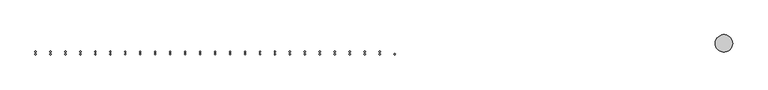
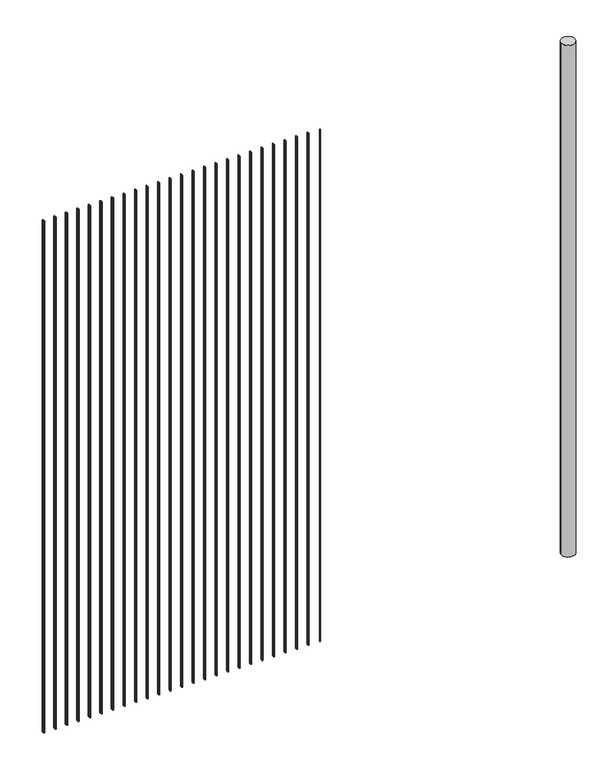
"""IFC4 building model written with IfcOpenShell, lengths in millimetres: railing geometry."""

from ifc_helpers import new_model, si_unit, point, frame, frame_2d, origin, place, context, project, spatial, circle_curve, trimmed, segment, composite_curve, outline, extrude, source, transform, mapped, element, save


def railing_c8de7a50(model_context):
    return source(origin(), model_context, "Body", "SweptSolid", [
        extrude(outline(composite_curve([segment(trimmed(circle_curve(frame_2d((2203.563139, 635.5491637)), 2.0574), [point((2203.563139, 637.6065637))], [point((2203.563139, 633.4917637))], False, "CARTESIAN"), True, "CONTINUOUS"), segment(trimmed(circle_curve(frame_2d((2203.563139, 635.5491637)), 2.0574), [point((2203.563139, 633.4917637))], [point((2203.563139, 637.6065637))], False, "CARTESIAN"), True, "CONTINUOUS")], self_intersect=False)), frame((0.0, 0.0, 7620.0), z_axis=(0.0, 0.0, 1.0), x_axis=(1.0, 0.0, 0.0)), (0.0, 0.0, 1.0), 2438.4),
        extrude(outline(composite_curve([segment(trimmed(circle_curve(frame_2d((2151.6822879, 643.7787637)), 2.0574), [point((2151.6822879, 641.7213637))], [point((2151.6822879, 645.8361637))], False, "CARTESIAN"), True, "CONTINUOUS"), segment(trimmed(circle_curve(frame_2d((2151.6822879, 643.7787637)), 2.0574), [point((2151.6822879, 645.8361637))], [point((2151.6822879, 641.7213637))], False, "CARTESIAN"), True, "CONTINUOUS")], self_intersect=False)), frame((0.0, 0.0, 7620.0), z_axis=(0.0, 0.0, 1.0), x_axis=(1.0, 0.0, 0.0)), (0.0, 0.0, 1.0), 2438.4),
        extrude(outline(composite_curve([segment(trimmed(circle_curve(frame_2d((2151.6822879, 635.5491637)), 2.0574), [point((2151.6822879, 637.6065637))], [point((2151.6822879, 633.4917637))], False, "CARTESIAN"), True, "CONTINUOUS"), segment(trimmed(circle_curve(frame_2d((2151.6822879, 635.5491637)), 2.0574), [point((2151.6822879, 633.4917637))], [point((2151.6822879, 637.6065637))], False, "CARTESIAN"), True, "CONTINUOUS")], self_intersect=False)), frame((0.0, 0.0, 7620.0), z_axis=(0.0, 0.0, 1.0), x_axis=(1.0, 0.0, 0.0)), (0.0, 0.0, 1.0), 2438.4),
        extrude(outline(composite_curve([segment(trimmed(circle_curve(frame_2d((2099.8014369, 643.7787637)), 2.0574), [point((2099.8014369, 641.7213637))], [point((2099.8014369, 645.8361637))], False, "CARTESIAN"), True, "CONTINUOUS"), segment(trimmed(circle_curve(frame_2d((2099.8014369, 643.7787637)), 2.0574), [point((2099.8014369, 645.8361637))], [point((2099.8014369, 641.7213637))], False, "CARTESIAN"), True, "CONTINUOUS")], self_intersect=False)), frame((0.0, 0.0, 7620.0), z_axis=(0.0, 0.0, 1.0), x_axis=(1.0, 0.0, 0.0)), (0.0, 0.0, 1.0), 2438.4),
        extrude(outline(composite_curve([segment(trimmed(circle_curve(frame_2d((2099.8014369, 635.5491637)), 2.0574), [point((2099.8014369, 637.6065637))], [point((2099.8014369, 633.4917637))], False, "CARTESIAN"), True, "CONTINUOUS"), segment(trimmed(circle_curve(frame_2d((2099.8014369, 635.5491637)), 2.0574), [point((2099.8014369, 633.4917637))], [point((2099.8014369, 637.6065637))], False, "CARTESIAN"), True, "CONTINUOUS")], self_intersect=False)), frame((0.0, 0.0, 7620.0), z_axis=(0.0, 0.0, 1.0), x_axis=(1.0, 0.0, 0.0)), (0.0, 0.0, 1.0), 2438.4),
        extrude(outline(composite_curve([segment(trimmed(circle_curve(frame_2d((2047.9205858, 643.7787637)), 2.0574), [point((2047.9205858, 641.7213637))], [point((2047.9205858, 645.8361637))], False, "CARTESIAN"), True, "CONTINUOUS"), segment(trimmed(circle_curve(frame_2d((2047.9205858, 643.7787637)), 2.0574), [point((2047.9205858, 645.8361637))], [point((2047.9205858, 641.7213637))], False, "CARTESIAN"), True, "CONTINUOUS")], self_intersect=False)), frame((0.0, 0.0, 7620.0), z_axis=(0.0, 0.0, 1.0), x_axis=(1.0, 0.0, 0.0)), (0.0, 0.0, 1.0), 2438.4),
        extrude(outline(composite_curve([segment(trimmed(circle_curve(frame_2d((2047.9205858, 635.5491637)), 2.0574), [point((2047.9205858, 637.6065637))], [point((2047.9205858, 633.4917637))], False, "CARTESIAN"), True, "CONTINUOUS"), segment(trimmed(circle_curve(frame_2d((2047.9205858, 635.5491637)), 2.0574), [point((2047.9205858, 633.4917637))], [point((2047.9205858, 637.6065637))], False, "CARTESIAN"), True, "CONTINUOUS")], self_intersect=False)), frame((0.0, 0.0, 7620.0), z_axis=(0.0, 0.0, 1.0), x_axis=(1.0, 0.0, 0.0)), (0.0, 0.0, 1.0), 2438.4),
        extrude(outline(composite_curve([segment(trimmed(circle_curve(frame_2d((1996.0397347, 643.7787637)), 2.0574), [point((1996.0397347, 641.7213637))], [point((1996.0397347, 645.8361637))], False, "CARTESIAN"), True, "CONTINUOUS"), segment(trimmed(circle_curve(frame_2d((1996.0397347, 643.7787637)), 2.0574), [point((1996.0397347, 645.8361637))], [point((1996.0397347, 641.7213637))], False, "CARTESIAN"), True, "CONTINUOUS")], self_intersect=False)), frame((0.0, 0.0, 7620.0), z_axis=(0.0, 0.0, 1.0), x_axis=(1.0, 0.0, 0.0)), (0.0, 0.0, 1.0), 2438.4),
        extrude(outline(composite_curve([segment(trimmed(circle_curve(frame_2d((1996.0397347, 635.5491637)), 2.0574), [point((1996.0397347, 637.6065637))], [point((1996.0397347, 633.4917637))], False, "CARTESIAN"), True, "CONTINUOUS"), segment(trimmed(circle_curve(frame_2d((1996.0397347, 635.5491637)), 2.0574), [point((1996.0397347, 633.4917637))], [point((1996.0397347, 637.6065637))], False, "CARTESIAN"), True, "CONTINUOUS")], self_intersect=False)), frame((0.0, 0.0, 7620.0), z_axis=(0.0, 0.0, 1.0), x_axis=(1.0, 0.0, 0.0)), (0.0, 0.0, 1.0), 2438.4),
        extrude(outline(composite_curve([segment(trimmed(circle_curve(frame_2d((1944.1588837, 643.7787637)), 2.0574), [point((1944.1588837, 641.7213637))], [point((1944.1588837, 645.8361637))], False, "CARTESIAN"), True, "CONTINUOUS"), segment(trimmed(circle_curve(frame_2d((1944.1588837, 643.7787637)), 2.0574), [point((1944.1588837, 645.8361637))], [point((1944.1588837, 641.7213637))], False, "CARTESIAN"), True, "CONTINUOUS")], self_intersect=False)), frame((0.0, 0.0, 7620.0), z_axis=(0.0, 0.0, 1.0), x_axis=(1.0, 0.0, 0.0)), (0.0, 0.0, 1.0), 2438.4),
        extrude(outline(composite_curve([segment(trimmed(circle_curve(frame_2d((1944.1588837, 635.5491637)), 2.0574), [point((1944.1588837, 637.6065637))], [point((1944.1588837, 633.4917637))], False, "CARTESIAN"), True, "CONTINUOUS"), segment(trimmed(circle_curve(frame_2d((1944.1588837, 635.5491637)), 2.0574), [point((1944.1588837, 633.4917637))], [point((1944.1588837, 637.6065637))], False, "CARTESIAN"), True, "CONTINUOUS")], self_intersect=False)), frame((0.0, 0.0, 7620.0), z_axis=(0.0, 0.0, 1.0), x_axis=(1.0, 0.0, 0.0)), (0.0, 0.0, 1.0), 2438.4),
        extrude(outline(composite_curve([segment(trimmed(circle_curve(frame_2d((1892.2780326, 643.7787637)), 2.0574), [point((1892.2780326, 641.7213637))], [point((1892.2780326, 645.8361637))], False, "CARTESIAN"), True, "CONTINUOUS"), segment(trimmed(circle_curve(frame_2d((1892.2780326, 643.7787637)), 2.0574), [point((1892.2780326, 645.8361637))], [point((1892.2780326, 641.7213637))], False, "CARTESIAN"), True, "CONTINUOUS")], self_intersect=False)), frame((0.0, 0.0, 7620.0), z_axis=(0.0, 0.0, 1.0), x_axis=(1.0, 0.0, 0.0)), (0.0, 0.0, 1.0), 2438.4),
        extrude(outline(composite_curve([segment(trimmed(circle_curve(frame_2d((1892.2780326, 635.5491637)), 2.0574), [point((1892.2780326, 637.6065637))], [point((1892.2780326, 633.4917637))], False, "CARTESIAN"), True, "CONTINUOUS"), segment(trimmed(circle_curve(frame_2d((1892.2780326, 635.5491637)), 2.0574), [point((1892.2780326, 633.4917637))], [point((1892.2780326, 637.6065637))], False, "CARTESIAN"), True, "CONTINUOUS")], self_intersect=False)), frame((0.0, 0.0, 7620.0), z_axis=(0.0, 0.0, 1.0), x_axis=(1.0, 0.0, 0.0)), (0.0, 0.0, 1.0), 2438.4),
        extrude(outline(composite_curve([segment(trimmed(circle_curve(frame_2d((1840.3971815, 643.7787637)), 2.0574), [point((1840.3971815, 641.7213637))], [point((1840.3971815, 645.8361637))], False, "CARTESIAN"), True, "CONTINUOUS"), segment(trimmed(circle_curve(frame_2d((1840.3971815, 643.7787637)), 2.0574), [point((1840.3971815, 645.8361637))], [point((1840.3971815, 641.7213637))], False, "CARTESIAN"), True, "CONTINUOUS")], self_intersect=False)), frame((0.0, 0.0, 7620.0), z_axis=(0.0, 0.0, 1.0), x_axis=(1.0, 0.0, 0.0)), (0.0, 0.0, 1.0), 2438.4),
        extrude(outline(composite_curve([segment(trimmed(circle_curve(frame_2d((1840.3971815, 635.5491637)), 2.0574), [point((1840.3971815, 637.6065637))], [point((1840.3971815, 633.4917637))], False, "CARTESIAN"), True, "CONTINUOUS"), segment(trimmed(circle_curve(frame_2d((1840.3971815, 635.5491637)), 2.0574), [point((1840.3971815, 633.4917637))], [point((1840.3971815, 637.6065637))], False, "CARTESIAN"), True, "CONTINUOUS")], self_intersect=False)), frame((0.0, 0.0, 7620.0), z_axis=(0.0, 0.0, 1.0), x_axis=(1.0, 0.0, 0.0)), (0.0, 0.0, 1.0), 2438.4),
        extrude(outline(composite_curve([segment(trimmed(circle_curve(frame_2d((1788.5163305, 643.7787637)), 2.0574), [point((1788.5163305, 641.7213637))], [point((1788.5163305, 645.8361637))], False, "CARTESIAN"), True, "CONTINUOUS"), segment(trimmed(circle_curve(frame_2d((1788.5163305, 643.7787637)), 2.0574), [point((1788.5163305, 645.8361637))], [point((1788.5163305, 641.7213637))], False, "CARTESIAN"), True, "CONTINUOUS")], self_intersect=False)), frame((0.0, 0.0, 7620.0), z_axis=(0.0, 0.0, 1.0), x_axis=(1.0, 0.0, 0.0)), (0.0, 0.0, 1.0), 2438.4),
        extrude(outline(composite_curve([segment(trimmed(circle_curve(frame_2d((1788.5163305, 635.5491637)), 2.0574), [point((1788.5163305, 637.6065637))], [point((1788.5163305, 633.4917637))], False, "CARTESIAN"), True, "CONTINUOUS"), segment(trimmed(circle_curve(frame_2d((1788.5163305, 635.5491637)), 2.0574), [point((1788.5163305, 633.4917637))], [point((1788.5163305, 637.6065637))], False, "CARTESIAN"), True, "CONTINUOUS")], self_intersect=False)), frame((0.0, 0.0, 7620.0), z_axis=(0.0, 0.0, 1.0), x_axis=(1.0, 0.0, 0.0)), (0.0, 0.0, 1.0), 2438.4),
        extrude(outline(composite_curve([segment(trimmed(circle_curve(frame_2d((1736.6354794, 643.7787637)), 2.0574), [point((1736.6354794, 641.7213637))], [point((1736.6354794, 645.8361637))], False, "CARTESIAN"), True, "CONTINUOUS"), segment(trimmed(circle_curve(frame_2d((1736.6354794, 643.7787637)), 2.0574), [point((1736.6354794, 645.8361637))], [point((1736.6354794, 641.7213637))], False, "CARTESIAN"), True, "CONTINUOUS")], self_intersect=False)), frame((0.0, 0.0, 7620.0), z_axis=(0.0, 0.0, 1.0), x_axis=(1.0, 0.0, 0.0)), (0.0, 0.0, 1.0), 2438.4),
        extrude(outline(composite_curve([segment(trimmed(circle_curve(frame_2d((1736.6354794, 635.5491637)), 2.0574), [point((1736.6354794, 637.6065637))], [point((1736.6354794, 633.4917637))], False, "CARTESIAN"), True, "CONTINUOUS"), segment(trimmed(circle_curve(frame_2d((1736.6354794, 635.5491637)), 2.0574), [point((1736.6354794, 633.4917637))], [point((1736.6354794, 637.6065637))], False, "CARTESIAN"), True, "CONTINUOUS")], self_intersect=False)), frame((0.0, 0.0, 7620.0), z_axis=(0.0, 0.0, 1.0), x_axis=(1.0, 0.0, 0.0)), (0.0, 0.0, 1.0), 2438.4),
        extrude(outline(composite_curve([segment(trimmed(circle_curve(frame_2d((1684.7546283, 643.7787637)), 2.0574), [point((1684.7546283, 641.7213637))], [point((1684.7546283, 645.8361637))], False, "CARTESIAN"), True, "CONTINUOUS"), segment(trimmed(circle_curve(frame_2d((1684.7546283, 643.7787637)), 2.0574), [point((1684.7546283, 645.8361637))], [point((1684.7546283, 641.7213637))], False, "CARTESIAN"), True, "CONTINUOUS")], self_intersect=False)), frame((0.0, 0.0, 7620.0), z_axis=(0.0, 0.0, 1.0), x_axis=(1.0, 0.0, 0.0)), (0.0, 0.0, 1.0), 2438.4),
        extrude(outline(composite_curve([segment(trimmed(circle_curve(frame_2d((1684.7546283, 635.5491637)), 2.0574), [point((1684.7546283, 637.6065637))], [point((1684.7546283, 633.4917637))], False, "CARTESIAN"), True, "CONTINUOUS"), segment(trimmed(circle_curve(frame_2d((1684.7546283, 635.5491637)), 2.0574), [point((1684.7546283, 633.4917637))], [point((1684.7546283, 637.6065637))], False, "CARTESIAN"), True, "CONTINUOUS")], self_intersect=False)), frame((0.0, 0.0, 7620.0), z_axis=(0.0, 0.0, 1.0), x_axis=(1.0, 0.0, 0.0)), (0.0, 0.0, 1.0), 2438.4),
        extrude(outline(composite_curve([segment(trimmed(circle_curve(frame_2d((1632.8737773, 643.7787637)), 2.0574), [point((1632.8737773, 641.7213637))], [point((1632.8737773, 645.8361637))], False, "CARTESIAN"), True, "CONTINUOUS"), segment(trimmed(circle_curve(frame_2d((1632.8737773, 643.7787637)), 2.0574), [point((1632.8737773, 645.8361637))], [point((1632.8737773, 641.7213637))], False, "CARTESIAN"), True, "CONTINUOUS")], self_intersect=False)), frame((0.0, 0.0, 7620.0), z_axis=(0.0, 0.0, 1.0), x_axis=(1.0, 0.0, 0.0)), (0.0, 0.0, 1.0), 2438.4),
        extrude(outline(composite_curve([segment(trimmed(circle_curve(frame_2d((1632.8737773, 635.5491637)), 2.0574), [point((1632.8737773, 637.6065637))], [point((1632.8737773, 633.4917637))], False, "CARTESIAN"), True, "CONTINUOUS"), segment(trimmed(circle_curve(frame_2d((1632.8737773, 635.5491637)), 2.0574), [point((1632.8737773, 633.4917637))], [point((1632.8737773, 637.6065637))], False, "CARTESIAN"), True, "CONTINUOUS")], self_intersect=False)), frame((0.0, 0.0, 7620.0), z_axis=(0.0, 0.0, 1.0), x_axis=(1.0, 0.0, 0.0)), (0.0, 0.0, 1.0), 2438.4),
        extrude(outline(composite_curve([segment(trimmed(circle_curve(frame_2d((1580.9929262, 643.7787637)), 2.0574), [point((1580.9929262, 641.7213637))], [point((1580.9929262, 645.8361637))], False, "CARTESIAN"), True, "CONTINUOUS"), segment(trimmed(circle_curve(frame_2d((1580.9929262, 643.7787637)), 2.0574), [point((1580.9929262, 645.8361637))], [point((1580.9929262, 641.7213637))], False, "CARTESIAN"), True, "CONTINUOUS")], self_intersect=False)), frame((0.0, 0.0, 7620.0), z_axis=(0.0, 0.0, 1.0), x_axis=(1.0, 0.0, 0.0)), (0.0, 0.0, 1.0), 2438.4),
        extrude(outline(composite_curve([segment(trimmed(circle_curve(frame_2d((1580.9929262, 635.5491637)), 2.0574), [point((1580.9929262, 637.6065637))], [point((1580.9929262, 633.4917637))], False, "CARTESIAN"), True, "CONTINUOUS"), segment(trimmed(circle_curve(frame_2d((1580.9929262, 635.5491637)), 2.0574), [point((1580.9929262, 633.4917637))], [point((1580.9929262, 637.6065637))], False, "CARTESIAN"), True, "CONTINUOUS")], self_intersect=False)), frame((0.0, 0.0, 7620.0), z_axis=(0.0, 0.0, 1.0), x_axis=(1.0, 0.0, 0.0)), (0.0, 0.0, 1.0), 2438.4),
        extrude(outline(composite_curve([segment(trimmed(circle_curve(frame_2d((1529.1120752, 643.7787637)), 2.0574), [point((1529.1120752, 641.7213637))], [point((1529.1120752, 645.8361637))], False, "CARTESIAN"), True, "CONTINUOUS"), segment(trimmed(circle_curve(frame_2d((1529.1120752, 643.7787637)), 2.0574), [point((1529.1120752, 645.8361637))], [point((1529.1120752, 641.7213637))], False, "CARTESIAN"), True, "CONTINUOUS")], self_intersect=False)), frame((0.0, 0.0, 7620.0), z_axis=(0.0, 0.0, 1.0), x_axis=(1.0, 0.0, 0.0)), (0.0, 0.0, 1.0), 2438.4),
        extrude(outline(composite_curve([segment(trimmed(circle_curve(frame_2d((1529.1120752, 635.5491637)), 2.0574), [point((1529.1120752, 637.6065637))], [point((1529.1120752, 633.4917637))], False, "CARTESIAN"), True, "CONTINUOUS"), segment(trimmed(circle_curve(frame_2d((1529.1120752, 635.5491637)), 2.0574), [point((1529.1120752, 633.4917637))], [point((1529.1120752, 637.6065637))], False, "CARTESIAN"), True, "CONTINUOUS")], self_intersect=False)), frame((0.0, 0.0, 7620.0), z_axis=(0.0, 0.0, 1.0), x_axis=(1.0, 0.0, 0.0)), (0.0, 0.0, 1.0), 2438.4),
        extrude(outline(composite_curve([segment(trimmed(circle_curve(frame_2d((1477.2312241, 643.7787637)), 2.0574), [point((1477.2312241, 641.7213637))], [point((1477.2312241, 645.8361637))], False, "CARTESIAN"), True, "CONTINUOUS"), segment(trimmed(circle_curve(frame_2d((1477.2312241, 643.7787637)), 2.0574), [point((1477.2312241, 645.8361637))], [point((1477.2312241, 641.7213637))], False, "CARTESIAN"), True, "CONTINUOUS")], self_intersect=False)), frame((0.0, 0.0, 7620.0), z_axis=(0.0, 0.0, 1.0), x_axis=(1.0, 0.0, 0.0)), (0.0, 0.0, 1.0), 2438.4),
        extrude(outline(composite_curve([segment(trimmed(circle_curve(frame_2d((1477.2312241, 635.5491637)), 2.0574), [point((1477.2312241, 637.6065637))], [point((1477.2312241, 633.4917637))], False, "CARTESIAN"), True, "CONTINUOUS"), segment(trimmed(circle_curve(frame_2d((1477.2312241, 635.5491637)), 2.0574), [point((1477.2312241, 633.4917637))], [point((1477.2312241, 637.6065637))], False, "CARTESIAN"), True, "CONTINUOUS")], self_intersect=False)), frame((0.0, 0.0, 7620.0), z_axis=(0.0, 0.0, 1.0), x_axis=(1.0, 0.0, 0.0)), (0.0, 0.0, 1.0), 2438.4),
        extrude(outline(composite_curve([segment(trimmed(circle_curve(frame_2d((1425.350373, 643.7787637)), 2.0574), [point((1425.350373, 641.7213637))], [point((1425.350373, 645.8361637))], False, "CARTESIAN"), True, "CONTINUOUS"), segment(trimmed(circle_curve(frame_2d((1425.350373, 643.7787637)), 2.0574), [point((1425.350373, 645.8361637))], [point((1425.350373, 641.7213637))], False, "CARTESIAN"), True, "CONTINUOUS")], self_intersect=False)), frame((0.0, 0.0, 7620.0), z_axis=(0.0, 0.0, 1.0), x_axis=(1.0, 0.0, 0.0)), (0.0, 0.0, 1.0), 2438.4),
        extrude(outline(composite_curve([segment(trimmed(circle_curve(frame_2d((1425.350373, 635.5491637)), 2.0574), [point((1425.350373, 637.6065637))], [point((1425.350373, 633.4917637))], False, "CARTESIAN"), True, "CONTINUOUS"), segment(trimmed(circle_curve(frame_2d((1425.350373, 635.5491637)), 2.0574), [point((1425.350373, 633.4917637))], [point((1425.350373, 637.6065637))], False, "CARTESIAN"), True, "CONTINUOUS")], self_intersect=False)), frame((0.0, 0.0, 7620.0), z_axis=(0.0, 0.0, 1.0), x_axis=(1.0, 0.0, 0.0)), (0.0, 0.0, 1.0), 2438.4),
        extrude(outline(composite_curve([segment(trimmed(circle_curve(frame_2d((1373.469522, 643.7787637)), 2.0574), [point((1373.469522, 641.7213637))], [point((1373.469522, 645.8361637))], False, "CARTESIAN"), True, "CONTINUOUS"), segment(trimmed(circle_curve(frame_2d((1373.469522, 643.7787637)), 2.0574), [point((1373.469522, 645.8361637))], [point((1373.469522, 641.7213637))], False, "CARTESIAN"), True, "CONTINUOUS")], self_intersect=False)), frame((0.0, 0.0, 7620.0), z_axis=(0.0, 0.0, 1.0), x_axis=(1.0, 0.0, 0.0)), (0.0, 0.0, 1.0), 2438.4),
        extrude(outline(composite_curve([segment(trimmed(circle_curve(frame_2d((1373.469522, 635.5491637)), 2.0574), [point((1373.469522, 637.6065637))], [point((1373.469522, 633.4917637))], False, "CARTESIAN"), True, "CONTINUOUS"), segment(trimmed(circle_curve(frame_2d((1373.469522, 635.5491637)), 2.0574), [point((1373.469522, 633.4917637))], [point((1373.469522, 637.6065637))], False, "CARTESIAN"), True, "CONTINUOUS")], self_intersect=False)), frame((0.0, 0.0, 7620.0), z_axis=(0.0, 0.0, 1.0), x_axis=(1.0, 0.0, 0.0)), (0.0, 0.0, 1.0), 2438.4),
        extrude(outline(composite_curve([segment(trimmed(circle_curve(frame_2d((1321.5886709, 643.7787637)), 2.0574), [point((1321.5886709, 641.7213637))], [point((1321.5886709, 645.8361637))], False, "CARTESIAN"), True, "CONTINUOUS"), segment(trimmed(circle_curve(frame_2d((1321.5886709, 643.7787637)), 2.0574), [point((1321.5886709, 645.8361637))], [point((1321.5886709, 641.7213637))], False, "CARTESIAN"), True, "CONTINUOUS")], self_intersect=False)), frame((0.0, 0.0, 7620.0), z_axis=(0.0, 0.0, 1.0), x_axis=(1.0, 0.0, 0.0)), (0.0, 0.0, 1.0), 2438.4),
        extrude(outline(composite_curve([segment(trimmed(circle_curve(frame_2d((1321.5886709, 635.5491637)), 2.0574), [point((1321.5886709, 637.6065637))], [point((1321.5886709, 633.4917637))], False, "CARTESIAN"), True, "CONTINUOUS"), segment(trimmed(circle_curve(frame_2d((1321.5886709, 635.5491637)), 2.0574), [point((1321.5886709, 633.4917637))], [point((1321.5886709, 637.6065637))], False, "CARTESIAN"), True, "CONTINUOUS")], self_intersect=False)), frame((0.0, 0.0, 7620.0), z_axis=(0.0, 0.0, 1.0), x_axis=(1.0, 0.0, 0.0)), (0.0, 0.0, 1.0), 2438.4),
        extrude(outline(composite_curve([segment(trimmed(circle_curve(frame_2d((1269.7078198, 643.7787637)), 2.0574), [point((1269.7078198, 641.7213637))], [point((1269.7078198, 645.8361637))], False, "CARTESIAN"), True, "CONTINUOUS"), segment(trimmed(circle_curve(frame_2d((1269.7078198, 643.7787637)), 2.0574), [point((1269.7078198, 645.8361637))], [point((1269.7078198, 641.7213637))], False, "CARTESIAN"), True, "CONTINUOUS")], self_intersect=False)), frame((0.0, 0.0, 7620.0), z_axis=(0.0, 0.0, 1.0), x_axis=(1.0, 0.0, 0.0)), (0.0, 0.0, 1.0), 2438.4),
        extrude(outline(composite_curve([segment(trimmed(circle_curve(frame_2d((1269.7078198, 635.5491637)), 2.0574), [point((1269.7078198, 637.6065637))], [point((1269.7078198, 633.4917637))], False, "CARTESIAN"), True, "CONTINUOUS"), segment(trimmed(circle_curve(frame_2d((1269.7078198, 635.5491637)), 2.0574), [point((1269.7078198, 633.4917637))], [point((1269.7078198, 637.6065637))], False, "CARTESIAN"), True, "CONTINUOUS")], self_intersect=False)), frame((0.0, 0.0, 7620.0), z_axis=(0.0, 0.0, 1.0), x_axis=(1.0, 0.0, 0.0)), (0.0, 0.0, 1.0), 2438.4),
        extrude(outline(composite_curve([segment(trimmed(circle_curve(frame_2d((1217.8269688, 643.7787637)), 2.0574), [point((1217.8269688, 641.7213637))], [point((1217.8269688, 645.8361637))], False, "CARTESIAN"), True, "CONTINUOUS"), segment(trimmed(circle_curve(frame_2d((1217.8269688, 643.7787637)), 2.0574), [point((1217.8269688, 645.8361637))], [point((1217.8269688, 641.7213637))], False, "CARTESIAN"), True, "CONTINUOUS")], self_intersect=False)), frame((0.0, 0.0, 7620.0), z_axis=(0.0, 0.0, 1.0), x_axis=(1.0, 0.0, 0.0)), (0.0, 0.0, 1.0), 2438.4),
        extrude(outline(composite_curve([segment(trimmed(circle_curve(frame_2d((1217.8269688, 635.5491637)), 2.0574), [point((1217.8269688, 637.6065637))], [point((1217.8269688, 633.4917637))], False, "CARTESIAN"), True, "CONTINUOUS"), segment(trimmed(circle_curve(frame_2d((1217.8269688, 635.5491637)), 2.0574), [point((1217.8269688, 633.4917637))], [point((1217.8269688, 637.6065637))], False, "CARTESIAN"), True, "CONTINUOUS")], self_intersect=False)), frame((0.0, 0.0, 7620.0), z_axis=(0.0, 0.0, 1.0), x_axis=(1.0, 0.0, 0.0)), (0.0, 0.0, 1.0), 2438.4),
        extrude(outline(composite_curve([segment(trimmed(circle_curve(frame_2d((1165.9461177, 643.7787637)), 2.0574), [point((1165.9461177, 641.7213637))], [point((1165.9461177, 645.8361637))], False, "CARTESIAN"), True, "CONTINUOUS"), segment(trimmed(circle_curve(frame_2d((1165.9461177, 643.7787637)), 2.0574), [point((1165.9461177, 645.8361637))], [point((1165.9461177, 641.7213637))], False, "CARTESIAN"), True, "CONTINUOUS")], self_intersect=False)), frame((0.0, 0.0, 7620.0), z_axis=(0.0, 0.0, 1.0), x_axis=(1.0, 0.0, 0.0)), (0.0, 0.0, 1.0), 2438.4),
        extrude(outline(composite_curve([segment(trimmed(circle_curve(frame_2d((1165.9461177, 635.5491637)), 2.0574), [point((1165.9461177, 637.6065637))], [point((1165.9461177, 633.4917637))], False, "CARTESIAN"), True, "CONTINUOUS"), segment(trimmed(circle_curve(frame_2d((1165.9461177, 635.5491637)), 2.0574), [point((1165.9461177, 633.4917637))], [point((1165.9461177, 637.6065637))], False, "CARTESIAN"), True, "CONTINUOUS")], self_intersect=False)), frame((0.0, 0.0, 7620.0), z_axis=(0.0, 0.0, 1.0), x_axis=(1.0, 0.0, 0.0)), (0.0, 0.0, 1.0), 2438.4),
        extrude(outline(composite_curve([segment(trimmed(circle_curve(frame_2d((1114.0652666, 643.7787637)), 2.0574), [point((1114.0652666, 641.7213637))], [point((1114.0652666, 645.8361637))], False, "CARTESIAN"), True, "CONTINUOUS"), segment(trimmed(circle_curve(frame_2d((1114.0652666, 643.7787637)), 2.0574), [point((1114.0652666, 645.8361637))], [point((1114.0652666, 641.7213637))], False, "CARTESIAN"), True, "CONTINUOUS")], self_intersect=False)), frame((0.0, 0.0, 7620.0), z_axis=(0.0, 0.0, 1.0), x_axis=(1.0, 0.0, 0.0)), (0.0, 0.0, 1.0), 2438.4),
        extrude(outline(composite_curve([segment(trimmed(circle_curve(frame_2d((1114.0652666, 635.5491637)), 2.0574), [point((1114.0652666, 637.6065637))], [point((1114.0652666, 633.4917637))], False, "CARTESIAN"), True, "CONTINUOUS"), segment(trimmed(circle_curve(frame_2d((1114.0652666, 635.5491637)), 2.0574), [point((1114.0652666, 633.4917637))], [point((1114.0652666, 637.6065637))], False, "CARTESIAN"), True, "CONTINUOUS")], self_intersect=False)), frame((0.0, 0.0, 7620.0), z_axis=(0.0, 0.0, 1.0), x_axis=(1.0, 0.0, 0.0)), (0.0, 0.0, 1.0), 2438.4),
        extrude(outline(composite_curve([segment(trimmed(circle_curve(frame_2d((1062.1844156, 643.7787637)), 2.0574), [point((1062.1844156, 641.7213637))], [point((1062.1844156, 645.8361637))], False, "CARTESIAN"), True, "CONTINUOUS"), segment(trimmed(circle_curve(frame_2d((1062.1844156, 643.7787637)), 2.0574), [point((1062.1844156, 645.8361637))], [point((1062.1844156, 641.7213637))], False, "CARTESIAN"), True, "CONTINUOUS")], self_intersect=False)), frame((0.0, 0.0, 7620.0), z_axis=(0.0, 0.0, 1.0), x_axis=(1.0, 0.0, 0.0)), (0.0, 0.0, 1.0), 2438.4),
        extrude(outline(composite_curve([segment(trimmed(circle_curve(frame_2d((1062.1844156, 635.5491637)), 2.0574), [point((1062.1844156, 637.6065637))], [point((1062.1844156, 633.4917637))], False, "CARTESIAN"), True, "CONTINUOUS"), segment(trimmed(circle_curve(frame_2d((1062.1844156, 635.5491637)), 2.0574), [point((1062.1844156, 633.4917637))], [point((1062.1844156, 637.6065637))], False, "CARTESIAN"), True, "CONTINUOUS")], self_intersect=False)), frame((0.0, 0.0, 7620.0), z_axis=(0.0, 0.0, 1.0), x_axis=(1.0, 0.0, 0.0)), (0.0, 0.0, 1.0), 2438.4),
        extrude(outline(composite_curve([segment(trimmed(circle_curve(frame_2d((1010.3035645, 643.7787637)), 2.0574), [point((1010.3035645, 641.7213637))], [point((1010.3035645, 645.8361637))], False, "CARTESIAN"), True, "CONTINUOUS"), segment(trimmed(circle_curve(frame_2d((1010.3035645, 643.7787637)), 2.0574), [point((1010.3035645, 645.8361637))], [point((1010.3035645, 641.7213637))], False, "CARTESIAN"), True, "CONTINUOUS")], self_intersect=False)), frame((0.0, 0.0, 7620.0), z_axis=(0.0, 0.0, 1.0), x_axis=(1.0, 0.0, 0.0)), (0.0, 0.0, 1.0), 2438.4),
        extrude(outline(composite_curve([segment(trimmed(circle_curve(frame_2d((1010.3035645, 635.5491637)), 2.0574), [point((1010.3035645, 637.6065637))], [point((1010.3035645, 633.4917637))], False, "CARTESIAN"), True, "CONTINUOUS"), segment(trimmed(circle_curve(frame_2d((1010.3035645, 635.5491637)), 2.0574), [point((1010.3035645, 633.4917637))], [point((1010.3035645, 637.6065637))], False, "CARTESIAN"), True, "CONTINUOUS")], self_intersect=False)), frame((0.0, 0.0, 7620.0), z_axis=(0.0, 0.0, 1.0), x_axis=(1.0, 0.0, 0.0)), (0.0, 0.0, 1.0), 2438.4),
        extrude(outline(composite_curve([segment(trimmed(circle_curve(frame_2d((958.4227135, 643.7787637)), 2.0574), [point((958.4227135, 641.7213637))], [point((958.4227135, 645.8361637))], False, "CARTESIAN"), True, "CONTINUOUS"), segment(trimmed(circle_curve(frame_2d((958.4227135, 643.7787637)), 2.0574), [point((958.4227135, 645.8361637))], [point((958.4227135, 641.7213637))], False, "CARTESIAN"), True, "CONTINUOUS")], self_intersect=False)), frame((0.0, 0.0, 7620.0), z_axis=(0.0, 0.0, 1.0), x_axis=(1.0, 0.0, 0.0)), (0.0, 0.0, 1.0), 2438.4),
        extrude(outline(composite_curve([segment(trimmed(circle_curve(frame_2d((958.4227135, 635.5491637)), 2.0574), [point((958.4227135, 637.6065637))], [point((958.4227135, 633.4917637))], False, "CARTESIAN"), True, "CONTINUOUS"), segment(trimmed(circle_curve(frame_2d((958.4227135, 635.5491637)), 2.0574), [point((958.4227135, 633.4917637))], [point((958.4227135, 637.6065637))], False, "CARTESIAN"), True, "CONTINUOUS")], self_intersect=False)), frame((0.0, 0.0, 7620.0), z_axis=(0.0, 0.0, 1.0), x_axis=(1.0, 0.0, 0.0)), (0.0, 0.0, 1.0), 2438.4),
        extrude(outline(composite_curve([segment(trimmed(circle_curve(frame_2d((3344.9418624, 673.0014637)), 30.1625), [point((3314.7793624, 673.0014637))], [point((3375.1043624, 673.0014637))], False, "CARTESIAN"), True, "CONTINUOUS"), segment(trimmed(circle_curve(frame_2d((3344.9418624, 673.0014637)), 30.1625), [point((3375.1043624, 673.0014637))], [point((3314.7793624, 673.0014637))], False, "CARTESIAN"), True, "CONTINUOUS")], self_intersect=False)), frame((0.0, 0.0, 7620.0), z_axis=(0.0, 0.0, 1.0), x_axis=(1.0, 0.0, 0.0)), (0.0, 0.0, 1.0), 2438.4),
    ])


if __name__ == "__main__":
    model = new_model("IFC4")
    model_context = context("Model", 3, world=origin())
    ifc_project = project(units=[si_unit("LENGTHUNIT", "METRE", prefix="MILLI")], contexts=[model_context])
    site = spatial("IfcSite", under=ifc_project)
    building = spatial("IfcBuilding", under=site)
    placement = place(None, origin())
    railing_shape = railing_c8de7a50(model_context)
    element("IfcRailing", 1, at=placement, inside=building, context=model_context, shape_type="MappedRepresentation", body=[
        mapped(railing_shape, transform((0.0, 0.0, 0.0), x_axis=(1.0, 0.0, 0.0), y_axis=(0.0, 1.0, 0.0), z_axis=(0.0, 0.0, 1.0))),
    ])
    save(model, "model.ifc")
